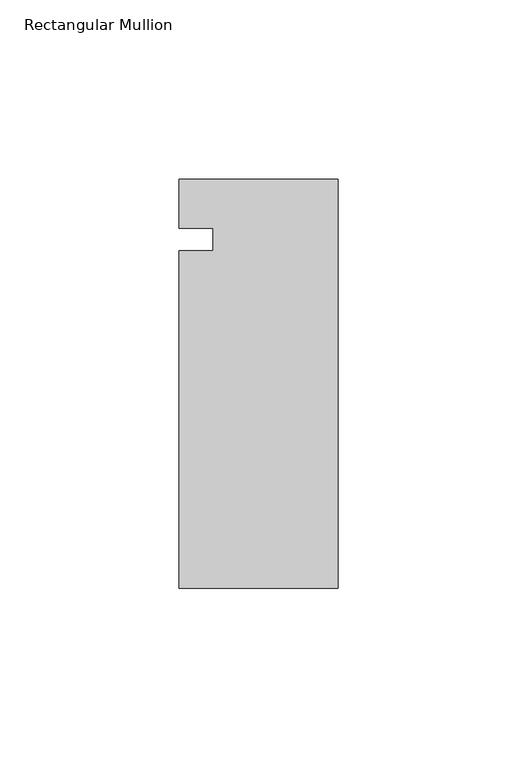
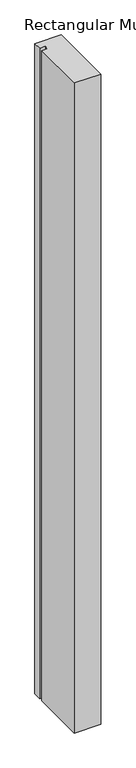
"""IFC4 building model written with IfcOpenShell, lengths in millimetres: member geometry, Rectangular Mullion."""

from ifc_helpers import new_model, si_unit, frame, origin, place, context, project, spatial, polyline, outline, extrude, source, transform, mapped, element, save


def rectangular_mullion_34092a4a(model_context):
    return source(origin(), model_context, "Body", "SweptSolid", [
        extrude(outline(polyline([(-44.45, 16.8840492), (0.0, 16.8840492), (0.0, -97.4159508), (-44.45, -97.4159508), (-44.45, -3.175), (-34.925, -3.175), (-34.925, 3.175), (-44.45, 3.175), (-44.45, 16.8840492)])), frame((0.0, 0.0, -1152.525), z_axis=(0.0, 0.0, 1.0), x_axis=(1.0, 0.0, 0.0)), (0.0, 0.0, 1.0), 1152.525),
    ])


if __name__ == "__main__":
    model = new_model("IFC4")
    model_context = context("Model", 3, world=origin())
    ifc_project = project(units=[si_unit("LENGTHUNIT", "METRE", prefix="MILLI")], contexts=[model_context])
    site = spatial("IfcSite", under=ifc_project)
    building = spatial("IfcBuilding", under=site)
    placement = place(None, origin())
    rectangular_mullion_shape = rectangular_mullion_34092a4a(model_context)
    element("IfcMember", 1, ObjectType="Rectangular Mullion", at=placement, inside=building, context=model_context, shape_type="MappedRepresentation", body=[
        mapped(rectangular_mullion_shape, transform((0.0, 0.0, 0.0), x_axis=(1.0, 0.0, 0.0), y_axis=(0.0, 1.0, 0.0), z_axis=(0.0, 0.0, 1.0))),
    ])
    save(model, "model.ifc")
